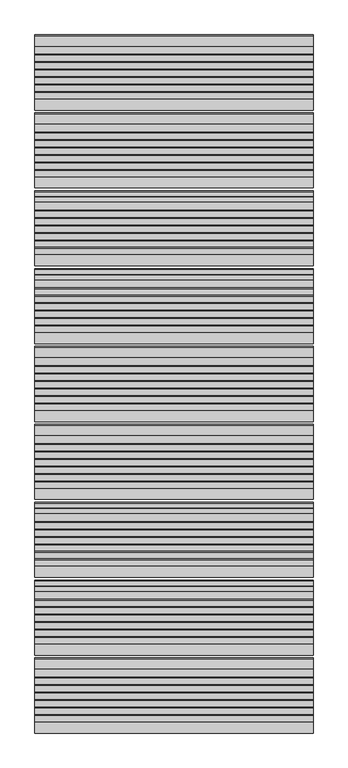
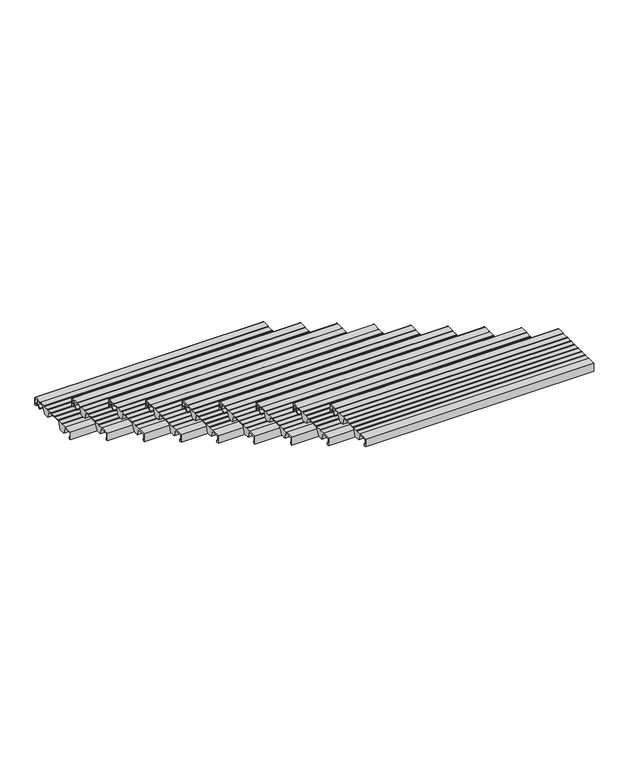
"""IFC4 building model written with IfcOpenShell, lengths in millimetres: stair flight geometry."""

import ifcopenshell
import ifcopenshell.guid

model = None  # the IFC model being written
_history = None  # IfcOwnerHistory: only IFC2X3 demands one
_inside = {}  # id of a spatial element -> (the spatial element, [elements in it])
_under = {}  # id of a project, library or spatial element -> (it, [spatial elements below it])
_declared = {}  # id of a project -> (the project, [libraries it declares])
_typed = {}  # id of a type object -> (the type object, [elements of that type])
_made_of = {}  # id of a material, layer set ... -> (it, [elements and type objects made of it])


def new_model(schema):
    """Start an empty IFC model of exactly this schema.

    Asked for "IFC4X3", IfcOpenShell would pick the latest addendum, in which some entities
    have other attributes; the version numbers below select the first issue.
    IFC2X3 requires an IfcOwnerHistory on every rooted entity: one is made here for all.
    """
    global model, _history
    if schema == "IFC4X3":
        model = ifcopenshell.file(schema_version=(4, 3, 0, 0))
    else:
        model = ifcopenshell.file(schema=schema)
    _inside.clear()
    _under.clear()
    _declared.clear()
    _typed.clear()
    _made_of.clear()
    _history = None
    if model.schema == "IFC2X3":
        org = make("IfcOrganization", Name="unknown")
        user = make(
            "IfcPersonAndOrganization",
            ThePerson=make("IfcPerson", FamilyName="unknown"),
            TheOrganization=org,
        )
        app = make(
            "IfcApplication",
            ApplicationDeveloper=org,
            Version="unknown",
            ApplicationFullName="unknown",
            ApplicationIdentifier="unknown",
        )
        _history = make(
            "IfcOwnerHistory",
            OwningUser=user,
            OwningApplication=app,
            ChangeAction="ADDED",
            CreationDate=0,
        )
    return model


def make(cls, **values):
    """One entity of the class cls with the attributes given. An attribute that is None is left unset."""
    return model.create_entity(
        cls, **{name: value for name, value in values.items() if value is not None}
    )


def rooted(cls, **values):
    """An entity with a GlobalId (a new one), such as an element, a storey or a relation."""
    return make(cls, GlobalId=ifcopenshell.guid.new(), OwnerHistory=_history, **values)


def si_unit(unit_type, name, prefix=None):
    """IfcSIUnit, for example si_unit("LENGTHUNIT", "METRE", prefix="MILLI")."""
    return make("IfcSIUnit", UnitType=unit_type, Prefix=prefix, Name=name)


def assignment(units):
    """IfcUnitAssignment: the units of a project."""
    return None if units is None else make("IfcUnitAssignment", Units=units)


def point(xyz):
    """IfcCartesianPoint."""
    return None if xyz is None else make("IfcCartesianPoint", Coordinates=xyz)


def direction(xyz):
    """IfcDirection."""
    return None if xyz is None else make("IfcDirection", DirectionRatios=xyz)


def frame(location, z_axis=None, x_axis=None):
    """IfcAxis2Placement3D, a coordinate frame: its origin and axes. An axis left out is left unset."""
    return make(
        "IfcAxis2Placement3D",
        Location=point(location),
        Axis=direction(z_axis),
        RefDirection=direction(x_axis),
    )


def frame_2d(location, x_axis=None):
    """IfcAxis2Placement2D, a coordinate frame in the plane: its origin and x axis."""
    return make(
        "IfcAxis2Placement2D", Location=point(location), RefDirection=direction(x_axis)
    )


def origin():
    """The frame at (0, 0, 0) with its axes left unset."""
    return frame((0.0, 0.0, 0.0))


def place(relative_to, where):
    """IfcLocalPlacement: puts the frame where relative to a parent placement (None: the world)."""
    return make(
        "IfcLocalPlacement", PlacementRelTo=relative_to, RelativePlacement=where
    )


def context(
    kind, dimensions, precision=None, world=None, true_north=None, identifier=None
):
    """IfcGeometricRepresentationContext, for example the 3D "Model" context."""
    return make(
        "IfcGeometricRepresentationContext",
        ContextIdentifier=identifier,
        ContextType=kind,
        CoordinateSpaceDimension=dimensions,
        Precision=precision,
        WorldCoordinateSystem=world,
        TrueNorth=true_north,
    )


def project(units=None, contexts=None):
    """IfcProject with its units and contexts."""
    return rooted(
        "IfcProject",
        Name="project",
        RepresentationContexts=contexts,
        UnitsInContext=assignment(units),
    )


def spatial(cls, under=None, at=None, **own):
    """A site, building, storey or space (cls), placed at a placement, below another one or the project."""
    s = rooted(cls, ObjectPlacement=at, **own)
    if under is not None:
        _under.setdefault(under.id(), (under, []))[1].append(s)
    return s


def polyline(points):
    """IfcPolyline through the points."""
    return make("IfcPolyline", Points=[point(p) for p in points])


def circle_curve(where, radius):
    """IfcCircle in the frame where."""
    return make("IfcCircle", Position=where, Radius=radius)


def trimmed(basis, trim1, trim2, sense, master):
    """IfcTrimmedCurve: the piece of a basis curve between two trims."""
    return make(
        "IfcTrimmedCurve",
        BasisCurve=basis,
        Trim1=trim1,
        Trim2=trim2,
        SenseAgreement=sense,
        MasterRepresentation=master,
    )


def segment(curve, same_sense, transition):
    """IfcCompositeCurveSegment."""
    return make(
        "IfcCompositeCurveSegment",
        Transition=transition,
        SameSense=same_sense,
        ParentCurve=curve,
    )


def composite_curve(segments, self_intersect=None):
    """IfcCompositeCurve: segments joined end to end."""
    return make("IfcCompositeCurve", Segments=segments, SelfIntersect=self_intersect)


def outline(outer, holes=None, kind="AREA"):
    """IfcArbitraryClosedProfileDef: a profile drawn as a closed curve; with holes, ...WithVoids."""
    if holes is None:
        return make("IfcArbitraryClosedProfileDef", ProfileType=kind, OuterCurve=outer)
    return make(
        "IfcArbitraryProfileDefWithVoids",
        ProfileType=kind,
        OuterCurve=outer,
        InnerCurves=holes,
    )


def extrude(swept, where, along, depth):
    """IfcExtrudedAreaSolid: the profile swept, set in the frame where, extruded along a direction by depth."""
    return make(
        "IfcExtrudedAreaSolid",
        SweptArea=swept,
        Position=where,
        ExtrudedDirection=direction(along),
        Depth=depth,
    )


def shape(context_of_items, identifier, shape_type, items):
    """IfcShapeRepresentation: the items that make up one representation, for example the "Body"."""
    return make(
        "IfcShapeRepresentation",
        ContextOfItems=context_of_items,
        RepresentationIdentifier=identifier,
        RepresentationType=shape_type,
        Items=items,
    )


def source(mapping_origin, context_of_items, identifier, shape_type, items):
    """IfcRepresentationMap: a shape defined once, which mapped items show again and again."""
    return make(
        "IfcRepresentationMap",
        MappingOrigin=mapping_origin,
        MappedRepresentation=shape(context_of_items, identifier, shape_type, items),
    )


def transform(
    local_origin,
    x_axis=None,
    y_axis=None,
    z_axis=None,
    scale=None,
    scale2=None,
    scale3=None,
    uniform=True,
):
    """IfcCartesianTransformationOperator3D, or its non-uniform kind. x_axis, y_axis, z_axis: its Axis1, 2, 3."""
    if uniform:
        return make(
            "IfcCartesianTransformationOperator3D",
            Axis1=direction(x_axis),
            Axis2=direction(y_axis),
            LocalOrigin=point(local_origin),
            Scale=scale,
            Axis3=direction(z_axis),
        )
    return make(
        "IfcCartesianTransformationOperator3DnonUniform",
        Axis1=direction(x_axis),
        Axis2=direction(y_axis),
        LocalOrigin=point(local_origin),
        Scale=scale,
        Axis3=direction(z_axis),
        Scale2=scale2,
        Scale3=scale3,
    )


def mapped(mapping_source, mapping_target):
    """IfcMappedItem: shows the shape of a source again, moved by a transform."""
    return make(
        "IfcMappedItem", MappingSource=mapping_source, MappingTarget=mapping_target
    )


def made_of(thing, what):
    """Note that an element or type object is made of a material, layer set ...; save() writes the relation."""
    if what is not None:
        _made_of.setdefault(what.id(), (what, []))[1].append(thing)
    return thing


def element(
    cls,
    number,
    at=None,
    inside=None,
    cuts=None,
    type_object=None,
    material=None,
    context=None,
    identifier="Body",
    shape_type=None,
    held_by="IfcProductDefinitionShape",
    body=None,
    shapes=None,
    **own,
):
    """One element of the class cls, such as IfcWall. Its Tag is "e" and its number.

    at: its placement. inside: the storey or other place that contains it. cuts: it is an
    opening in that element (IfcRelVoidsElement). A single representation is given by context,
    identifier, shape_type and body (its items); several are given by shapes. held_by: the class
    of the entity that holds the representations. save() writes the other relations.
    """
    e = rooted(cls, Tag="e%d" % number, ObjectPlacement=at, **own)
    if body is not None:
        shapes = [shape(context, identifier, shape_type, body)]
    if shapes is not None:
        e.Representation = make(held_by, Representations=shapes)
    if inside is not None:
        _inside.setdefault(inside.id(), (inside, []))[1].append(e)
    if cuts is not None:
        rooted(
            "IfcRelVoidsElement", RelatingBuildingElement=cuts, RelatedOpeningElement=e
        )
    if type_object is not None:
        _typed.setdefault(type_object.id(), (type_object, []))[1].append(e)
    return made_of(e, material)


def aggregate(whole, parts):
    """IfcRelAggregates: a whole, such as a stair, and the parts it consists of."""
    return rooted("IfcRelAggregates", RelatingObject=whole, RelatedObjects=parts)


def save(model, path):
    """Write the relations noted so far, then the file.

    IfcRelAggregates (storeys below a building ...), IfcRelContainedInSpatialStructure (elements
    in a storey), IfcRelDefinesByType, IfcRelAssociatesMaterial and IfcRelDeclares: one each for
    every whole, place, type object, material and project.
    """
    for whole, parts in _under.values():
        aggregate(whole, parts)
    for where, things in _inside.values():
        rooted(
            "IfcRelContainedInSpatialStructure",
            RelatedElements=things,
            RelatingStructure=where,
        )
    for kind, things in _typed.values():
        rooted("IfcRelDefinesByType", RelatedObjects=things, RelatingType=kind)
    for what, things in _made_of.values():
        rooted("IfcRelAssociatesMaterial", RelatedObjects=things, RelatingMaterial=what)
    for by, libraries in _declared.values():
        rooted("IfcRelDeclares", RelatingContext=by, RelatedDefinitions=libraries)
    model.write(path)


def stair_flight_db7c9c0a(model_context):
    return source(origin(), model_context, "Body", "SweptSolid", [
        extrude(outline(composite_curve([segment(polyline([(-2093.9543481, 2454.6255246), (-2082.1950555, 2463.7730431), (-2081.5863352, 2482.1121002), (-2098.6918101, 2482.1497993), (-2098.6918101, 2483.3256371), (-2119.2968571, 2483.2802252), (-2132.3695557, 2451.8853795), (-2157.2613358, 2451.8305199), (-2168.1854373, 2482.9835266), (-2238.8561525, 2482.8277739), (-2251.8500999, 2451.6220537), (-2276.74188, 2451.5671942), (-2287.4673614, 2482.1537825), (-2325.6889024, 2482.0695452), (-2325.6889024, 2460.7179675), (-2319.7889347, 2460.7309706), (-2319.7889347, 2451.4723219), (-2328.9832568, 2451.4520583), (-2328.9832568, 2487.3529412), (-2289.9967913, 2487.4388643), (-2289.9967913, 2485.5493441), (-2265.1489171, 2485.5493441), (-2265.1489171, 2487.4936271), (-2263.1143376, 2487.4936271), (-2263.1143376, 2485.5493441), (-2238.277169, 2485.5493441), (-2238.277169, 2487.4936271), (-2236.2425894, 2487.4936271), (-2236.2425894, 2485.5493441), (-2211.3960131, 2485.5493441), (-2211.3960131, 2487.4936271), (-2209.3614336, 2487.4936271), (-2209.3614336, 2485.5493441), (-2184.5148573, 2485.5493441), (-2184.5148573, 2487.4936271), (-2182.4802777, 2487.4936271), (-2182.4802777, 2485.5493441), (-2157.6337014, 2485.5493441), (-2157.6337014, 2487.4936271), (-2155.5991219, 2487.4936271), (-2155.5991219, 2485.5493441), (-2130.7525456, 2485.5493441), (-2130.7525456, 2487.4936271), (-2128.717966, 2487.4936271), (-2128.717966, 2485.90479), (-2098.6918101, 2485.9709653), (-2098.6918101, 2487.3529412), (-2063.9832568, 2487.3529412)]), True, "CONTINUOUS"), segment(trimmed(circle_curve(frame_2d((-2063.9832568, 2482.3529412)), 5.0), [point((-2063.9832568, 2487.3529412))], [point((-2058.9832568, 2482.3529412))], False, "CARTESIAN"), True, "CONTINUOUS"), segment(polyline([(-2058.9832568, 2482.3529412), (-2058.9832568, 2451.4723219), (-2068.1775789, 2451.4723219), (-2068.1775789, 2460.7309706), (-2062.2776112, 2460.7179675), (-2062.2776112, 2482.0695452), (-2079.0975213, 2482.106615), (-2079.7547193, 2462.3070603), (-2093.0405433, 2451.9720575), (-2097.3980683, 2451.9624539), (-2097.4039207, 2454.617922), (-2093.9543481, 2454.6255246)]), True, "CONTINUOUS")], self_intersect=False)), frame((-9819.2515248, 0.0, 0.0), z_axis=(1.0, 0.0, 0.0), x_axis=(0.0, 1.0, 0.0)), (0.0, 0.0, 1.0), 1000.0),
        extrude(outline(composite_curve([segment(polyline([(-2373.9543481, 2620.449054), (-2362.1950555, 2629.5965725), (-2361.5863352, 2647.9356296), (-2378.6918101, 2647.9733287), (-2378.6918101, 2649.1491665), (-2399.2968571, 2649.1037546), (-2412.3695557, 2617.7089089), (-2437.2613358, 2617.6540494), (-2448.1854373, 2648.807056), (-2518.8561525, 2648.6513033), (-2531.8500999, 2617.4455831), (-2556.74188, 2617.3907236), (-2567.4673614, 2647.9773119), (-2605.6889024, 2647.8930747), (-2605.6889024, 2626.5414969), (-2599.7889347, 2626.5545), (-2599.7889347, 2617.2958513), (-2608.9832568, 2617.2755877), (-2608.9832568, 2653.1764706), (-2569.9967913, 2653.2623937), (-2569.9967913, 2651.3728736), (-2545.1489171, 2651.3728736), (-2545.1489171, 2653.3171565), (-2543.1143376, 2653.3171565), (-2543.1143376, 2651.3728736), (-2518.277169, 2651.3728736), (-2518.277169, 2653.3171565), (-2516.2425894, 2653.3171565), (-2516.2425894, 2651.3728736), (-2491.3960131, 2651.3728736), (-2491.3960131, 2653.3171565), (-2489.3614336, 2653.3171565), (-2489.3614336, 2651.3728736), (-2464.5148573, 2651.3728736), (-2464.5148573, 2653.3171565), (-2462.4802777, 2653.3171565), (-2462.4802777, 2651.3728736), (-2437.6337014, 2651.3728736), (-2437.6337014, 2653.3171565), (-2435.5991219, 2653.3171565), (-2435.5991219, 2651.3728736), (-2410.7525456, 2651.3728736), (-2410.7525456, 2653.3171565), (-2408.717966, 2653.3171565), (-2408.717966, 2651.7283194), (-2378.6918101, 2651.7944947), (-2378.6918101, 2653.1764706), (-2343.9832568, 2653.1764706)]), True, "CONTINUOUS"), segment(trimmed(circle_curve(frame_2d((-2343.9832568, 2648.1764706)), 5.0), [point((-2343.9832568, 2653.1764706))], [point((-2338.9832568, 2648.1764706))], False, "CARTESIAN"), True, "CONTINUOUS"), segment(polyline([(-2338.9832568, 2648.1764706), (-2338.9832568, 2617.2958513), (-2348.1775789, 2617.2958513), (-2348.1775789, 2626.5545), (-2342.2776112, 2626.5414969), (-2342.2776112, 2647.8930747), (-2359.0975213, 2647.9301444), (-2359.7547193, 2628.1305897), (-2373.0405433, 2617.7955869), (-2377.3980683, 2617.7859833), (-2377.4039207, 2620.4414514), (-2373.9543481, 2620.449054)]), True, "CONTINUOUS")], self_intersect=False)), frame((-9819.2515248, 0.0, 0.0), z_axis=(1.0, 0.0, 0.0), x_axis=(0.0, 1.0, 0.0)), (0.0, 0.0, 1.0), 1000.0),
        extrude(outline(composite_curve([segment(polyline([(-2653.9543481, 2786.2725834), (-2642.1950555, 2795.4201019), (-2641.5863352, 2813.759159), (-2658.6918101, 2813.7968581), (-2658.6918101, 2814.9726959), (-2679.2968571, 2814.927284), (-2692.3695557, 2783.5324383), (-2717.2613358, 2783.4775788), (-2728.1854373, 2814.6305854), (-2798.8561525, 2814.4748327), (-2811.8500999, 2783.2691125), (-2836.74188, 2783.214253), (-2847.4673614, 2813.8008414), (-2885.6889024, 2813.7166041), (-2885.6889024, 2792.3650264), (-2879.7889347, 2792.3780294), (-2879.7889347, 2783.1193807), (-2888.9832568, 2783.0991171), (-2888.9832568, 2819.0), (-2849.9967913, 2819.0859231), (-2849.9967913, 2817.196403), (-2825.1489171, 2817.196403), (-2825.1489171, 2819.1406859), (-2823.1143376, 2819.1406859), (-2823.1143376, 2817.196403), (-2798.277169, 2817.196403), (-2798.277169, 2819.1406859), (-2796.2425894, 2819.1406859), (-2796.2425894, 2817.196403), (-2771.3960131, 2817.196403), (-2771.3960131, 2819.1406859), (-2769.3614336, 2819.1406859), (-2769.3614336, 2817.196403), (-2744.5148573, 2817.196403), (-2744.5148573, 2819.1406859), (-2742.4802777, 2819.1406859), (-2742.4802777, 2817.196403), (-2717.6337014, 2817.196403), (-2717.6337014, 2819.1406859), (-2715.5991219, 2819.1406859), (-2715.5991219, 2817.196403), (-2690.7525456, 2817.196403), (-2690.7525456, 2819.1406859), (-2688.717966, 2819.1406859), (-2688.717966, 2817.5518489), (-2658.6918101, 2817.6180241), (-2658.6918101, 2819.0), (-2623.9832568, 2819.0)]), True, "CONTINUOUS"), segment(trimmed(circle_curve(frame_2d((-2623.9832568, 2814.0)), 5.0), [point((-2623.9832568, 2819.0))], [point((-2618.9832568, 2814.0))], False, "CARTESIAN"), True, "CONTINUOUS"), segment(polyline([(-2618.9832568, 2814.0), (-2618.9832568, 2783.1193807), (-2628.1775789, 2783.1193807), (-2628.1775789, 2792.3780294), (-2622.2776112, 2792.3650264), (-2622.2776112, 2813.7166041), (-2639.0975213, 2813.7536738), (-2639.7547193, 2793.9541191), (-2653.0405433, 2783.6191164), (-2657.3980683, 2783.6095127), (-2657.4039207, 2786.2649808), (-2653.9543481, 2786.2725834)]), True, "CONTINUOUS")], self_intersect=False)), frame((-9819.2515248, 0.0, 0.0), z_axis=(1.0, 0.0, 0.0), x_axis=(0.0, 1.0, 0.0)), (0.0, 0.0, 1.0), 1000.0),
        extrude(outline(composite_curve([segment(polyline([(-2933.9543481, 2952.0961128), (-2922.1950555, 2961.2436313), (-2921.5863352, 2979.5826884), (-2938.6918101, 2979.6203875), (-2938.6918101, 2980.7962253), (-2959.2968571, 2980.7508134), (-2972.3695557, 2949.3559677), (-2997.2613358, 2949.3011082), (-3008.1854373, 2980.4541148), (-3078.8561525, 2980.2983621), (-3091.8500999, 2949.092642), (-3116.74188, 2949.0377824), (-3127.4673614, 2979.6243708), (-3165.6889024, 2979.5401335), (-3165.6889024, 2958.1885558), (-3159.7889347, 2958.2015588), (-3159.7889347, 2948.9429101), (-3168.9832568, 2948.9226465), (-3168.9832568, 2984.8235294), (-3129.9967913, 2984.9094525), (-3129.9967913, 2983.0199324), (-3105.1489171, 2983.0199324), (-3105.1489171, 2984.9642153), (-3103.1143376, 2984.9642153), (-3103.1143376, 2983.0199324), (-3078.277169, 2983.0199324), (-3078.277169, 2984.9642153), (-3076.2425894, 2984.9642153), (-3076.2425894, 2983.0199324), (-3051.3960131, 2983.0199324), (-3051.3960131, 2984.9642153), (-3049.3614336, 2984.9642153), (-3049.3614336, 2983.0199324), (-3024.5148573, 2983.0199324), (-3024.5148573, 2984.9642153), (-3022.4802777, 2984.9642153), (-3022.4802777, 2983.0199324), (-2997.6337014, 2983.0199324), (-2997.6337014, 2984.9642153), (-2995.5991219, 2984.9642153), (-2995.5991219, 2983.0199324), (-2970.7525456, 2983.0199324), (-2970.7525456, 2984.9642153), (-2968.717966, 2984.9642153), (-2968.717966, 2983.3753783), (-2938.6918101, 2983.4415536), (-2938.6918101, 2984.8235294), (-2903.9832568, 2984.8235294)]), True, "CONTINUOUS"), segment(trimmed(circle_curve(frame_2d((-2903.9832568, 2979.8235294)), 5.0), [point((-2903.9832568, 2984.8235294))], [point((-2898.9832568, 2979.8235294))], False, "CARTESIAN"), True, "CONTINUOUS"), segment(polyline([(-2898.9832568, 2979.8235294), (-2898.9832568, 2948.9429101), (-2908.1775789, 2948.9429101), (-2908.1775789, 2958.2015588), (-2902.2776112, 2958.1885558), (-2902.2776112, 2979.5401335), (-2919.0975213, 2979.5772032), (-2919.7547193, 2959.7776485), (-2933.0405433, 2949.4426458), (-2937.3980683, 2949.4330421), (-2937.4039207, 2952.0885102), (-2933.9543481, 2952.0961128)]), True, "CONTINUOUS")], self_intersect=False)), frame((-9819.2515248, 0.0, 0.0), z_axis=(1.0, 0.0, 0.0), x_axis=(0.0, 1.0, 0.0)), (0.0, 0.0, 1.0), 1000.0),
        extrude(outline(composite_curve([segment(polyline([(-3213.9543481, 3117.9196422), (-3202.1950555, 3127.0671607), (-3201.5863352, 3145.4062178), (-3218.6918101, 3145.4439169), (-3218.6918101, 3146.6197548), (-3239.2968571, 3146.5743428), (-3252.3695557, 3115.1794971), (-3277.2613358, 3115.1246376), (-3288.1854373, 3146.2776442), (-3358.8561525, 3146.1218915), (-3371.8500999, 3114.9161714), (-3396.74188, 3114.8613118), (-3407.4673614, 3145.4479002), (-3445.6889024, 3145.3636629), (-3445.6889024, 3124.0120852), (-3439.7889347, 3124.0250882), (-3439.7889347, 3114.7664395), (-3448.9832568, 3114.7461759), (-3448.9832568, 3150.6470588), (-3409.9967913, 3150.7329819), (-3409.9967913, 3148.8434618), (-3385.1489171, 3148.8434618), (-3385.1489171, 3150.7877447), (-3383.1143376, 3150.7877447), (-3383.1143376, 3148.8434618), (-3358.277169, 3148.8434618), (-3358.277169, 3150.7877447), (-3356.2425894, 3150.7877447), (-3356.2425894, 3148.8434618), (-3331.3960131, 3148.8434618), (-3331.3960131, 3150.7877447), (-3329.3614336, 3150.7877447), (-3329.3614336, 3148.8434618), (-3304.5148573, 3148.8434618), (-3304.5148573, 3150.7877447), (-3302.4802777, 3150.7877447), (-3302.4802777, 3148.8434618), (-3277.6337014, 3148.8434618), (-3277.6337014, 3150.7877447), (-3275.5991219, 3150.7877447), (-3275.5991219, 3148.8434618), (-3250.7525456, 3148.8434618), (-3250.7525456, 3150.7877447), (-3248.717966, 3150.7877447), (-3248.717966, 3149.1989077), (-3218.6918101, 3149.265083), (-3218.6918101, 3150.6470588), (-3183.9832568, 3150.6470588)]), True, "CONTINUOUS"), segment(trimmed(circle_curve(frame_2d((-3183.9832568, 3145.6470588)), 5.0), [point((-3183.9832568, 3150.6470588))], [point((-3178.9832568, 3145.6470588))], False, "CARTESIAN"), True, "CONTINUOUS"), segment(polyline([(-3178.9832568, 3145.6470588), (-3178.9832568, 3114.7664395), (-3188.1775789, 3114.7664395), (-3188.1775789, 3124.0250882), (-3182.2776112, 3124.0120852), (-3182.2776112, 3145.3636629), (-3199.0975213, 3145.4007327), (-3199.7547193, 3125.6011779), (-3213.0405433, 3115.2661752), (-3217.3980683, 3115.2565715), (-3217.4039207, 3117.9120396), (-3213.9543481, 3117.9196422)]), True, "CONTINUOUS")], self_intersect=False)), frame((-9819.2515248, 0.0, 0.0), z_axis=(1.0, 0.0, 0.0), x_axis=(0.0, 1.0, 0.0)), (0.0, 0.0, 1.0), 1000.0),
        extrude(outline(composite_curve([segment(polyline([(-3493.9543481, 3283.7431716), (-3482.1950555, 3292.8906902), (-3481.5863352, 3311.2297472), (-3498.6918101, 3311.2674463), (-3498.6918101, 3312.4432842), (-3519.2968571, 3312.3978723), (-3532.3695557, 3281.0030265), (-3557.2613358, 3280.948167), (-3568.1854373, 3312.1011736), (-3638.8561525, 3311.9454209), (-3651.8500999, 3280.7397008), (-3676.74188, 3280.6848412), (-3687.4673614, 3311.2714296), (-3725.6889024, 3311.1871923), (-3725.6889024, 3289.8356146), (-3719.7889347, 3289.8486177), (-3719.7889347, 3280.5899689), (-3728.9832568, 3280.5697053), (-3728.9832568, 3316.4705882), (-3689.9967913, 3316.5565113), (-3689.9967913, 3314.6669912), (-3665.1489171, 3314.6669912), (-3665.1489171, 3316.6112741), (-3663.1143376, 3316.6112741), (-3663.1143376, 3314.6669912), (-3638.277169, 3314.6669912), (-3638.277169, 3316.6112741), (-3636.2425894, 3316.6112741), (-3636.2425894, 3314.6669912), (-3611.3960131, 3314.6669912), (-3611.3960131, 3316.6112741), (-3609.3614336, 3316.6112741), (-3609.3614336, 3314.6669912), (-3584.5148573, 3314.6669912), (-3584.5148573, 3316.6112741), (-3582.4802777, 3316.6112741), (-3582.4802777, 3314.6669912), (-3557.6337014, 3314.6669912), (-3557.6337014, 3316.6112741), (-3555.5991219, 3316.6112741), (-3555.5991219, 3314.6669912), (-3530.7525456, 3314.6669912), (-3530.7525456, 3316.6112741), (-3528.717966, 3316.6112741), (-3528.717966, 3315.0224371), (-3498.6918101, 3315.0886124), (-3498.6918101, 3316.4705882), (-3463.9832568, 3316.4705882)]), True, "CONTINUOUS"), segment(trimmed(circle_curve(frame_2d((-3463.9832568, 3311.4705882)), 5.0), [point((-3463.9832568, 3316.4705882))], [point((-3458.9832568, 3311.4705882))], False, "CARTESIAN"), True, "CONTINUOUS"), segment(polyline([(-3458.9832568, 3311.4705882), (-3458.9832568, 3280.5899689), (-3468.1775789, 3280.5899689), (-3468.1775789, 3289.8486177), (-3462.2776112, 3289.8356146), (-3462.2776112, 3311.1871923), (-3479.0975213, 3311.2242621), (-3479.7547193, 3291.4247073), (-3493.0405433, 3281.0897046), (-3497.3980683, 3281.080101), (-3497.4039207, 3283.735569), (-3493.9543481, 3283.7431716)]), True, "CONTINUOUS")], self_intersect=False)), frame((-9819.2515248, 0.0, 0.0), z_axis=(1.0, 0.0, 0.0), x_axis=(0.0, 1.0, 0.0)), (0.0, 0.0, 1.0), 1000.0),
        extrude(outline(composite_curve([segment(polyline([(-3773.9543481, 3449.566701), (-3762.1950555, 3458.7142196), (-3761.5863352, 3477.0532766), (-3778.6918101, 3477.0909758), (-3778.6918101, 3478.2668136), (-3799.2968571, 3478.2214017), (-3812.3695557, 3446.8265559), (-3837.2613358, 3446.7716964), (-3848.1854373, 3477.9247031), (-3918.8561525, 3477.7689503), (-3931.8500999, 3446.5632302), (-3956.74188, 3446.5083707), (-3967.4673614, 3477.094959), (-4005.6889024, 3477.0107217), (-4005.6889024, 3455.659144), (-3999.7889347, 3455.6721471), (-3999.7889347, 3446.4134983), (-4008.9832568, 3446.3932348), (-4008.9832568, 3482.2941176), (-3969.9967913, 3482.3800408), (-3969.9967913, 3480.4905206), (-3945.1489171, 3480.4905206), (-3945.1489171, 3482.4348035), (-3943.1143376, 3482.4348035), (-3943.1143376, 3480.4905206), (-3918.277169, 3480.4905206), (-3918.277169, 3482.4348035), (-3916.2425894, 3482.4348035), (-3916.2425894, 3480.4905206), (-3891.3960131, 3480.4905206), (-3891.3960131, 3482.4348035), (-3889.3614336, 3482.4348035), (-3889.3614336, 3480.4905206), (-3864.5148573, 3480.4905206), (-3864.5148573, 3482.4348035), (-3862.4802777, 3482.4348035), (-3862.4802777, 3480.4905206), (-3837.6337014, 3480.4905206), (-3837.6337014, 3482.4348035), (-3835.5991219, 3482.4348035), (-3835.5991219, 3480.4905206), (-3810.7525456, 3480.4905206), (-3810.7525456, 3482.4348035), (-3808.717966, 3482.4348035), (-3808.717966, 3480.8459665), (-3778.6918101, 3480.9121418), (-3778.6918101, 3482.2941176), (-3743.9832568, 3482.2941176)]), True, "CONTINUOUS"), segment(trimmed(circle_curve(frame_2d((-3743.9832568, 3477.2941176)), 5.0), [point((-3743.9832568, 3482.2941176))], [point((-3738.9832568, 3477.2941176))], False, "CARTESIAN"), True, "CONTINUOUS"), segment(polyline([(-3738.9832568, 3477.2941176), (-3738.9832568, 3446.4134983), (-3748.1775789, 3446.4134983), (-3748.1775789, 3455.6721471), (-3742.2776112, 3455.659144), (-3742.2776112, 3477.0107217), (-3759.0975213, 3477.0477915), (-3759.7547193, 3457.2482367), (-3773.0405433, 3446.913234), (-3777.3980683, 3446.9036304), (-3777.4039207, 3449.5590984), (-3773.9543481, 3449.566701)]), True, "CONTINUOUS")], self_intersect=False)), frame((-9819.2515248, 0.0, 0.0), z_axis=(1.0, 0.0, 0.0), x_axis=(0.0, 1.0, 0.0)), (0.0, 0.0, 1.0), 1000.0),
        extrude(outline(composite_curve([segment(polyline([(-4053.9543481, 3615.3902304), (-4042.1950555, 3624.537749), (-4041.5863352, 3642.876806), (-4058.6918101, 3642.9145052), (-4058.6918101, 3644.090343), (-4079.2968571, 3644.0449311), (-4092.3695557, 3612.6500854), (-4117.2613358, 3612.5952258), (-4128.1854373, 3643.7482325), (-4198.8561525, 3643.5924798), (-4211.8500999, 3612.3867596), (-4236.74188, 3612.3319001), (-4247.4673614, 3642.9184884), (-4285.6889024, 3642.8342511), (-4285.6889024, 3621.4826734), (-4279.7889347, 3621.4956765), (-4279.7889347, 3612.2370277), (-4288.9832568, 3612.2167642), (-4288.9832568, 3648.1176471), (-4249.9967913, 3648.2035702), (-4249.9967913, 3646.31405), (-4225.1489171, 3646.31405), (-4225.1489171, 3648.2583329), (-4223.1143376, 3648.2583329), (-4223.1143376, 3646.31405), (-4198.277169, 3646.31405), (-4198.277169, 3648.2583329), (-4196.2425894, 3648.2583329), (-4196.2425894, 3646.31405), (-4171.3960131, 3646.31405), (-4171.3960131, 3648.2583329), (-4169.3614336, 3648.2583329), (-4169.3614336, 3646.31405), (-4144.5148573, 3646.31405), (-4144.5148573, 3648.2583329), (-4142.4802777, 3648.2583329), (-4142.4802777, 3646.31405), (-4117.6337014, 3646.31405), (-4117.6337014, 3648.2583329), (-4115.5991219, 3648.2583329), (-4115.5991219, 3646.31405), (-4090.7525456, 3646.31405), (-4090.7525456, 3648.2583329), (-4088.717966, 3648.2583329), (-4088.717966, 3646.6694959), (-4058.6918101, 3646.7356712), (-4058.6918101, 3648.1176471), (-4023.9832568, 3648.1176471)]), True, "CONTINUOUS"), segment(trimmed(circle_curve(frame_2d((-4023.9832568, 3643.1176471)), 5.0), [point((-4023.9832568, 3648.1176471))], [point((-4018.9832568, 3643.1176471))], False, "CARTESIAN"), True, "CONTINUOUS"), segment(polyline([(-4018.9832568, 3643.1176471), (-4018.9832568, 3612.2370277), (-4028.1775789, 3612.2370277), (-4028.1775789, 3621.4956765), (-4022.2776112, 3621.4826734), (-4022.2776112, 3642.8342511), (-4039.0975213, 3642.8713209), (-4039.7547193, 3623.0717661), (-4053.0405433, 3612.7367634), (-4057.3980683, 3612.7271598), (-4057.4039207, 3615.3826279), (-4053.9543481, 3615.3902304)]), True, "CONTINUOUS")], self_intersect=False)), frame((-9819.2515248, 0.0, 0.0), z_axis=(1.0, 0.0, 0.0), x_axis=(0.0, 1.0, 0.0)), (0.0, 0.0, 1.0), 1000.0),
        extrude(outline(composite_curve([segment(polyline([(-4333.9543481, 3781.2137599), (-4322.1950555, 3790.3612784), (-4321.5863352, 3808.7003355), (-4338.6918101, 3808.7380346), (-4338.6918101, 3809.9138724), (-4359.2968571, 3809.8684605), (-4372.3695557, 3778.4736148), (-4397.2613358, 3778.4187552), (-4408.1854373, 3809.5717619), (-4478.8561525, 3809.4160092), (-4491.8500999, 3778.210289), (-4516.74188, 3778.1554295), (-4527.4673614, 3808.7420178), (-4565.6889024, 3808.6577805), (-4565.6889024, 3787.3062028), (-4559.7889347, 3787.3192059), (-4559.7889347, 3778.0605571), (-4568.9832568, 3778.0402936), (-4568.9832568, 3813.9411765), (-4529.9967913, 3814.0270996), (-4529.9967913, 3812.1375794), (-4505.1489171, 3812.1375794), (-4505.1489171, 3814.0818624), (-4503.1143376, 3814.0818624), (-4503.1143376, 3812.1375794), (-4478.277169, 3812.1375794), (-4478.277169, 3814.0818624), (-4476.2425894, 3814.0818624), (-4476.2425894, 3812.1375794), (-4451.3960131, 3812.1375794), (-4451.3960131, 3814.0818624), (-4449.3614336, 3814.0818624), (-4449.3614336, 3812.1375794), (-4424.5148573, 3812.1375794), (-4424.5148573, 3814.0818624), (-4422.4802777, 3814.0818624), (-4422.4802777, 3812.1375794), (-4397.6337014, 3812.1375794), (-4397.6337014, 3814.0818624), (-4395.5991219, 3814.0818624), (-4395.5991219, 3812.1375794), (-4370.7525456, 3812.1375794), (-4370.7525456, 3814.0818624), (-4368.717966, 3814.0818624), (-4368.717966, 3812.4930253), (-4338.6918101, 3812.5592006), (-4338.6918101, 3813.9411765), (-4303.9832568, 3813.9411765)]), True, "CONTINUOUS"), segment(trimmed(circle_curve(frame_2d((-4303.9832568, 3808.9411765)), 5.0), [point((-4303.9832568, 3813.9411765))], [point((-4298.9832568, 3808.9411765))], False, "CARTESIAN"), True, "CONTINUOUS"), segment(polyline([(-4298.9832568, 3808.9411765), (-4298.9832568, 3778.0605571), (-4308.1775789, 3778.0605571), (-4308.1775789, 3787.3192059), (-4302.2776112, 3787.3062028), (-4302.2776112, 3808.6577805), (-4319.0975213, 3808.6948503), (-4319.7547193, 3788.8952956), (-4333.0405433, 3778.5602928), (-4337.3980683, 3778.5506892), (-4337.4039207, 3781.2061573), (-4333.9543481, 3781.2137599)]), True, "CONTINUOUS")], self_intersect=False)), frame((-9819.2515248, 0.0, 0.0), z_axis=(1.0, 0.0, 0.0), x_axis=(0.0, 1.0, 0.0)), (0.0, 0.0, 1.0), 1000.0),
    ])


if __name__ == "__main__":
    model = new_model("IFC4")
    model_context = context("Model", 3, world=origin())
    ifc_project = project(units=[si_unit("LENGTHUNIT", "METRE", prefix="MILLI")], contexts=[model_context])
    site = spatial("IfcSite", under=ifc_project)
    building = spatial("IfcBuilding", under=site)
    placement = place(None, origin())
    stair_flight_shape = stair_flight_db7c9c0a(model_context)
    element("IfcStairFlight", 1, at=placement, inside=building, context=model_context, shape_type="MappedRepresentation", body=[
        mapped(stair_flight_shape, transform((0.0, 0.0, 0.0), x_axis=(1.0, 0.0, 0.0), y_axis=(0.0, 1.0, 0.0), z_axis=(0.0, 0.0, 1.0))),
    ])
    save(model, "model.ifc")
